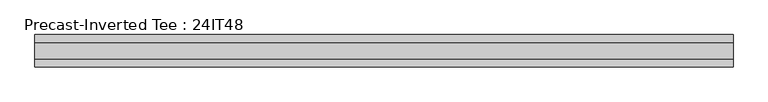
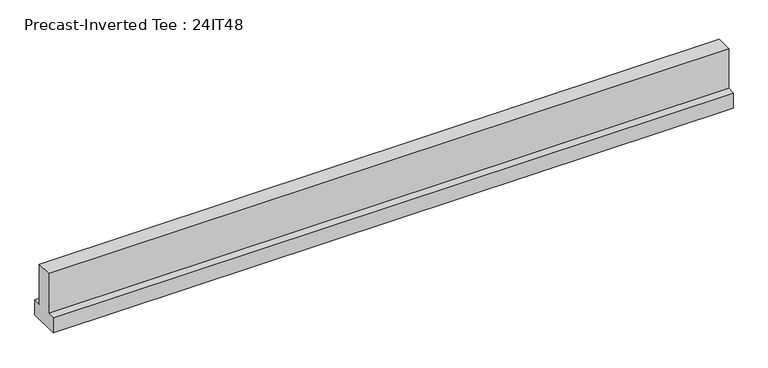
"""IFC4 building model written with IfcOpenShell, lengths in millimetres: beam geometry, Precast-Inverted Tee : 24IT48."""

import ifcopenshell
import ifcopenshell.guid

model = None  # the IFC model being written
_history = None  # IfcOwnerHistory: only IFC2X3 demands one
_inside = {}  # id of a spatial element -> (the spatial element, [elements in it])
_under = {}  # id of a project, library or spatial element -> (it, [spatial elements below it])
_declared = {}  # id of a project -> (the project, [libraries it declares])
_typed = {}  # id of a type object -> (the type object, [elements of that type])
_made_of = {}  # id of a material, layer set ... -> (it, [elements and type objects made of it])


def new_model(schema):
    """Start an empty IFC model of exactly this schema.

    Asked for "IFC4X3", IfcOpenShell would pick the latest addendum, in which some entities
    have other attributes; the version numbers below select the first issue.
    IFC2X3 requires an IfcOwnerHistory on every rooted entity: one is made here for all.
    """
    global model, _history
    if schema == "IFC4X3":
        model = ifcopenshell.file(schema_version=(4, 3, 0, 0))
    else:
        model = ifcopenshell.file(schema=schema)
    _inside.clear()
    _under.clear()
    _declared.clear()
    _typed.clear()
    _made_of.clear()
    _history = None
    if model.schema == "IFC2X3":
        org = make("IfcOrganization", Name="unknown")
        user = make(
            "IfcPersonAndOrganization",
            ThePerson=make("IfcPerson", FamilyName="unknown"),
            TheOrganization=org,
        )
        app = make(
            "IfcApplication",
            ApplicationDeveloper=org,
            Version="unknown",
            ApplicationFullName="unknown",
            ApplicationIdentifier="unknown",
        )
        _history = make(
            "IfcOwnerHistory",
            OwningUser=user,
            OwningApplication=app,
            ChangeAction="ADDED",
            CreationDate=0,
        )
    return model


def make(cls, **values):
    """One entity of the class cls with the attributes given. An attribute that is None is left unset."""
    return model.create_entity(
        cls, **{name: value for name, value in values.items() if value is not None}
    )


def rooted(cls, **values):
    """An entity with a GlobalId (a new one), such as an element, a storey or a relation."""
    return make(cls, GlobalId=ifcopenshell.guid.new(), OwnerHistory=_history, **values)


def si_unit(unit_type, name, prefix=None):
    """IfcSIUnit, for example si_unit("LENGTHUNIT", "METRE", prefix="MILLI")."""
    return make("IfcSIUnit", UnitType=unit_type, Prefix=prefix, Name=name)


def assignment(units):
    """IfcUnitAssignment: the units of a project."""
    return None if units is None else make("IfcUnitAssignment", Units=units)


def point(xyz):
    """IfcCartesianPoint."""
    return None if xyz is None else make("IfcCartesianPoint", Coordinates=xyz)


def direction(xyz):
    """IfcDirection."""
    return None if xyz is None else make("IfcDirection", DirectionRatios=xyz)


def frame(location, z_axis=None, x_axis=None):
    """IfcAxis2Placement3D, a coordinate frame: its origin and axes. An axis left out is left unset."""
    return make(
        "IfcAxis2Placement3D",
        Location=point(location),
        Axis=direction(z_axis),
        RefDirection=direction(x_axis),
    )


def origin():
    """The frame at (0, 0, 0) with its axes left unset."""
    return frame((0.0, 0.0, 0.0))


def place(relative_to, where):
    """IfcLocalPlacement: puts the frame where relative to a parent placement (None: the world)."""
    return make(
        "IfcLocalPlacement", PlacementRelTo=relative_to, RelativePlacement=where
    )


def context(
    kind, dimensions, precision=None, world=None, true_north=None, identifier=None
):
    """IfcGeometricRepresentationContext, for example the 3D "Model" context."""
    return make(
        "IfcGeometricRepresentationContext",
        ContextIdentifier=identifier,
        ContextType=kind,
        CoordinateSpaceDimension=dimensions,
        Precision=precision,
        WorldCoordinateSystem=world,
        TrueNorth=true_north,
    )


def project(units=None, contexts=None):
    """IfcProject with its units and contexts."""
    return rooted(
        "IfcProject",
        Name="project",
        RepresentationContexts=contexts,
        UnitsInContext=assignment(units),
    )


def spatial(cls, under=None, at=None, **own):
    """A site, building, storey or space (cls), placed at a placement, below another one or the project."""
    s = rooted(cls, ObjectPlacement=at, **own)
    if under is not None:
        _under.setdefault(under.id(), (under, []))[1].append(s)
    return s


def polyline(points):
    """IfcPolyline through the points."""
    return make("IfcPolyline", Points=[point(p) for p in points])


def outline(outer, holes=None, kind="AREA"):
    """IfcArbitraryClosedProfileDef: a profile drawn as a closed curve; with holes, ...WithVoids."""
    if holes is None:
        return make("IfcArbitraryClosedProfileDef", ProfileType=kind, OuterCurve=outer)
    return make(
        "IfcArbitraryProfileDefWithVoids",
        ProfileType=kind,
        OuterCurve=outer,
        InnerCurves=holes,
    )


def extrude(swept, where, along, depth):
    """IfcExtrudedAreaSolid: the profile swept, set in the frame where, extruded along a direction by depth."""
    return make(
        "IfcExtrudedAreaSolid",
        SweptArea=swept,
        Position=where,
        ExtrudedDirection=direction(along),
        Depth=depth,
    )


def shape(context_of_items, identifier, shape_type, items):
    """IfcShapeRepresentation: the items that make up one representation, for example the "Body"."""
    return make(
        "IfcShapeRepresentation",
        ContextOfItems=context_of_items,
        RepresentationIdentifier=identifier,
        RepresentationType=shape_type,
        Items=items,
    )


def source(mapping_origin, context_of_items, identifier, shape_type, items):
    """IfcRepresentationMap: a shape defined once, which mapped items show again and again."""
    return make(
        "IfcRepresentationMap",
        MappingOrigin=mapping_origin,
        MappedRepresentation=shape(context_of_items, identifier, shape_type, items),
    )


def transform(
    local_origin,
    x_axis=None,
    y_axis=None,
    z_axis=None,
    scale=None,
    scale2=None,
    scale3=None,
    uniform=True,
):
    """IfcCartesianTransformationOperator3D, or its non-uniform kind. x_axis, y_axis, z_axis: its Axis1, 2, 3."""
    if uniform:
        return make(
            "IfcCartesianTransformationOperator3D",
            Axis1=direction(x_axis),
            Axis2=direction(y_axis),
            LocalOrigin=point(local_origin),
            Scale=scale,
            Axis3=direction(z_axis),
        )
    return make(
        "IfcCartesianTransformationOperator3DnonUniform",
        Axis1=direction(x_axis),
        Axis2=direction(y_axis),
        LocalOrigin=point(local_origin),
        Scale=scale,
        Axis3=direction(z_axis),
        Scale2=scale2,
        Scale3=scale3,
    )


def mapped(mapping_source, mapping_target):
    """IfcMappedItem: shows the shape of a source again, moved by a transform."""
    return make(
        "IfcMappedItem", MappingSource=mapping_source, MappingTarget=mapping_target
    )


def made_of(thing, what):
    """Note that an element or type object is made of a material, layer set ...; save() writes the relation."""
    if what is not None:
        _made_of.setdefault(what.id(), (what, []))[1].append(thing)
    return thing


def element(
    cls,
    number,
    at=None,
    inside=None,
    cuts=None,
    type_object=None,
    material=None,
    context=None,
    identifier="Body",
    shape_type=None,
    held_by="IfcProductDefinitionShape",
    body=None,
    shapes=None,
    **own,
):
    """One element of the class cls, such as IfcWall. Its Tag is "e" and its number.

    at: its placement. inside: the storey or other place that contains it. cuts: it is an
    opening in that element (IfcRelVoidsElement). A single representation is given by context,
    identifier, shape_type and body (its items); several are given by shapes. held_by: the class
    of the entity that holds the representations. save() writes the other relations.
    """
    e = rooted(cls, Tag="e%d" % number, ObjectPlacement=at, **own)
    if body is not None:
        shapes = [shape(context, identifier, shape_type, body)]
    if shapes is not None:
        e.Representation = make(held_by, Representations=shapes)
    if inside is not None:
        _inside.setdefault(inside.id(), (inside, []))[1].append(e)
    if cuts is not None:
        rooted(
            "IfcRelVoidsElement", RelatingBuildingElement=cuts, RelatedOpeningElement=e
        )
    if type_object is not None:
        _typed.setdefault(type_object.id(), (type_object, []))[1].append(e)
    return made_of(e, material)


def aggregate(whole, parts):
    """IfcRelAggregates: a whole, such as a stair, and the parts it consists of."""
    return rooted("IfcRelAggregates", RelatingObject=whole, RelatedObjects=parts)


def save(model, path):
    """Write the relations noted so far, then the file.

    IfcRelAggregates (storeys below a building ...), IfcRelContainedInSpatialStructure (elements
    in a storey), IfcRelDefinesByType, IfcRelAssociatesMaterial and IfcRelDeclares: one each for
    every whole, place, type object, material and project.
    """
    for whole, parts in _under.values():
        aggregate(whole, parts)
    for where, things in _inside.values():
        rooted(
            "IfcRelContainedInSpatialStructure",
            RelatedElements=things,
            RelatingStructure=where,
        )
    for kind, things in _typed.values():
        rooted("IfcRelDefinesByType", RelatedObjects=things, RelatingType=kind)
    for what, things in _made_of.values():
        rooted("IfcRelAssociatesMaterial", RelatedObjects=things, RelatingMaterial=what)
    for by, libraries in _declared.values():
        rooted("IfcRelDeclares", RelatingContext=by, RelatedDefinitions=libraries)
    model.write(path)


def precast_inverted_tee_24it48_3bea7326(model_context):
    return source(origin(), model_context, "Body", "SweptSolid", [
        extrude(outline(polyline([(304.8, -558.8), (-304.8, -558.8), (-304.8, -254.0), (-152.4, -254.0), (-152.4, 558.8), (152.4, 558.8), (152.4, -254.0), (304.8, -254.0), (304.8, -558.8)])), frame((-6675.7367412, 0.0, 0.0), z_axis=(1.0, 0.0, 0.0), x_axis=(0.0, 1.0, 0.0)), (0.0, 0.0, 1.0), 13081.0),
    ])


if __name__ == "__main__":
    model = new_model("IFC4")
    model_context = context("Model", 3, world=origin())
    ifc_project = project(units=[si_unit("LENGTHUNIT", "METRE", prefix="MILLI")], contexts=[model_context])
    site = spatial("IfcSite", under=ifc_project)
    building = spatial("IfcBuilding", under=site)
    placement = place(None, origin())
    precast_inverted_tee_24it48_shape = precast_inverted_tee_24it48_3bea7326(model_context)
    element("IfcBeam", 1, ObjectType="Precast-Inverted Tee : 24IT48", at=placement, inside=building, context=model_context, shape_type="MappedRepresentation", body=[
        mapped(precast_inverted_tee_24it48_shape, transform((0.0, 0.0, 0.0), x_axis=(1.0, 0.0, 0.0), y_axis=(0.0, 1.0, 0.0), z_axis=(0.0, 0.0, 1.0))),
    ])
    save(model, "model.ifc")
